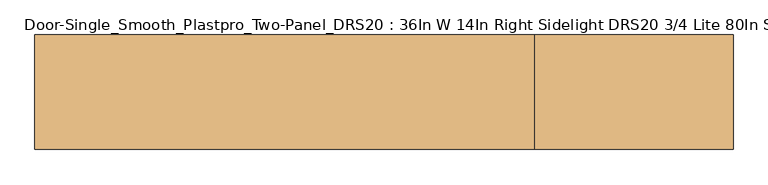
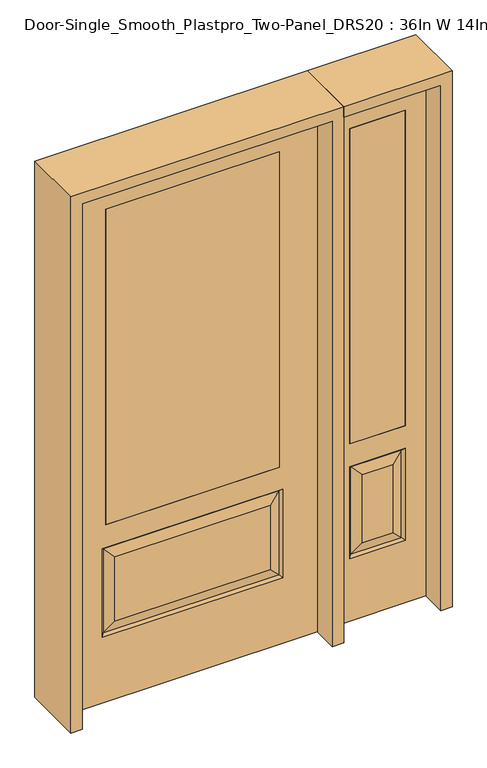
"""IFC4 building model written with IfcOpenShell, lengths in millimetres: door geometry, Door-Single_Smooth_Plastpro_Two-Panel_DRS20 : 36In W 14In Right Sidelight DRS20 3/4 Lite 80In Smooth."""

from ifc_helpers import new_model, si_unit, frame, origin, place, context, project, spatial, polyline, outline, extrude, faceted_brep, source, transform, mapped, element, save


def door_single_smooth_plastpro_two_panel_drs20_36in_w_14in_7fdac353(model_context):
    return source(origin(), model_context, "Body", "SolidModel", [
        extrude(outline(polyline([(574.675, -20.6375), (574.675, 20.6375), (777.875, 20.6375), (777.875, -20.6375), (574.675, -20.6375)])), frame((0.0, 0.0, 685.8), z_axis=(0.0, 0.0, 1.0), x_axis=(1.0, 0.0, 0.0)), (0.0, 0.0, 1.0), 1219.2),
        faceted_brep([(854.075, -20.6375, 0.0), (854.075, -20.6375, 2032.0), (498.475, -20.6375, 2032.0), (498.475, -20.6375, 0.0), (574.675, -20.6375, 685.8), (574.675, -20.6375, 1905.0), (777.875, -20.6375, 1905.0), (777.875, -20.6375, 685.8), (574.675, -20.6375, 241.3), (574.675, -20.6375, 596.9), (777.875, -20.6375, 596.9), (777.875, -20.6375, 241.3), (731.8375, -20.6375, 287.3375), (731.8375, -20.6375, 550.8625), (620.7125, -20.6375, 550.8625), (620.7125, -20.6375, 287.3375), (498.475, 20.6375, 0.0), (854.075, 20.6375, 0.0), (498.475, 20.6375, 2032.0), (854.075, 20.6375, 2032.0), (583.6552561, -11.6572439, 250.2802561), (768.8947439, -11.6572439, 250.2802561), (768.8947439, -11.6572439, 587.9197439), (583.6552561, -11.6572439, 587.9197439), (777.875, 20.6375, 685.8), (574.675, 20.6375, 685.8), (777.875, 20.6375, 1905.0), (574.675, 20.6375, 1905.0), (777.875, 20.6375, 241.3), (777.875, 20.6375, 596.9), (574.675, 20.6375, 596.9), (574.675, 20.6375, 241.3), (620.7125, 20.6375, 287.3375), (620.7125, 20.6375, 550.8625), (731.8375, 20.6375, 550.8625), (731.8375, 20.6375, 287.3375), (583.6552561, 11.6572439, 250.2802561), (768.8947439, 11.6572439, 250.2802561), (583.6552561, 11.6572439, 587.9197439), (768.8947439, 11.6572439, 587.9197439)], [[[0, 1, 2, 3], [4, 5, 6, 7], [8, 9, 10, 11]], [[12, 13, 14, 15]], [[3, 16, 17, 0]], [[2, 18, 16, 3]], [[0, 17, 19, 1]], [[20, 8, 11, 21]], [[11, 10, 22, 21]], [[10, 9, 23, 22]], [[20, 23, 9, 8]], [[21, 12, 15, 20]], [[15, 14, 23, 20]], [[22, 23, 14, 13]], [[21, 22, 13, 12]], [[4, 7, 24, 25]], [[7, 6, 26, 24]], [[25, 27, 5, 4]], [[17, 16, 18, 19], [24, 26, 27, 25], [28, 29, 30, 31]], [[32, 33, 34, 35]], [[28, 31, 36, 37]], [[31, 30, 38, 36]], [[39, 38, 30, 29]], [[37, 39, 29, 28]], [[36, 32, 35, 37]], [[35, 34, 39, 37]], [[34, 33, 38, 39]], [[36, 38, 33, 32]], [[1, 19, 18, 2]], [[27, 26, 6, 5]]]),
        extrude(outline(polyline([(317.5, -20.6375), (-317.5, -20.6375), (-317.5, 20.6375), (317.5, 20.6375), (317.5, -20.6375)])), frame((0.0, 0.0, 685.8), z_axis=(0.0, 0.0, 1.0), x_axis=(1.0, 0.0, 0.0)), (0.0, 0.0, 1.0), 1219.2),
        faceted_brep([(-317.5, 20.6375, 685.8), (-317.5, -20.6375, 685.8), (317.5, -20.6375, 685.8), (317.5, 20.6375, 685.8), (-321.2197439, 11.6572439, 587.9197439), (-284.1625, 20.6375, 550.8625), (-284.1625, 20.6375, 300.0375), (-321.2197439, 11.6572439, 262.9802561), (-321.2197439, -11.6572439, 262.9802561), (321.2197439, -11.6572439, 262.9802561), (284.1625, -20.6375, 300.0375), (-284.1625, -20.6375, 300.0375), (-321.2197439, -11.6572439, 587.9197439), (-284.1625, -20.6375, 550.8625), (284.1625, -20.6375, 550.8625), (321.2197439, -11.6572439, 587.9197439), (-330.2, -20.6375, 254.0), (330.2, -20.6375, 254.0), (317.5, -20.6375, 1905.0), (317.5, 20.6375, 1905.0), (284.1625, 20.6375, 300.0375), (321.2197439, 11.6572439, 262.9802561), (284.1625, 20.6375, 550.8625), (321.2197439, 11.6572439, 587.9197439), (457.2, 20.6375, 0.0), (457.2, -20.6375, 0.0), (-457.2, -20.6375, 0.0), (-457.2, 20.6375, 0.0), (457.2, 20.6375, 2032.0), (457.2, -20.6375, 2032.0), (-457.2, -20.6375, 2032.0), (-317.5, -20.6375, 1905.0), (-330.2, -20.6375, 596.9), (330.2, -20.6375, 596.9), (-457.2, 20.6375, 2032.0), (-317.5, 20.6375, 1905.0), (330.2, 20.6375, 596.9), (-330.2, 20.6375, 596.9), (-330.2, 20.6375, 254.0), (330.2, 20.6375, 254.0)], [[[0, 1, 2, 3]], [[4, 5, 6, 7]], [[8, 9, 10, 11]], [[12, 13, 14, 15]], [[9, 8, 16, 17]], [[18, 19, 3, 2]], [[7, 6, 20, 21]], [[22, 23, 21, 20]], [[24, 25, 26, 27]], [[28, 29, 25, 24]], [[11, 10, 14, 13]], [[29, 30, 26, 25], [31, 18, 2, 1], [17, 16, 32, 33]], [[30, 34, 27, 26]], [[5, 22, 20, 6]], [[34, 28, 24, 27], [19, 35, 0, 3], [36, 37, 38, 39]], [[23, 4, 37, 36]], [[37, 4, 7, 38]], [[38, 7, 21, 39]], [[23, 36, 39, 21]], [[4, 23, 22, 5]], [[35, 31, 1, 0]], [[16, 8, 12, 32]], [[32, 12, 15, 33]], [[9, 17, 33, 15]], [[10, 9, 15, 14]], [[8, 11, 13, 12]], [[28, 34, 30, 29]], [[31, 35, 19, 18]]]),
        extrude(outline(polyline([(2073.275, -498.475), (0.0, -498.475), (0.0, -457.2), (2032.0, -457.2), (2032.0, 457.2), (0.0, 457.2), (0.0, 498.475), (2073.275, 498.475), (2073.275, -498.475)])), frame((0.0, -114.3, 0.0), z_axis=(0.0, 1.0, 0.0), x_axis=(0.0, 0.0, 1.0)), (0.0, 0.0, 1.0), 228.6),
        extrude(outline(polyline([(0.0, 854.075), (0.0, 895.35), (2073.275, 895.35), (2073.275, 498.475), (2032.0, 498.475), (2032.0, 854.075), (0.0, 854.075)])), frame((0.0, -114.3, 0.0), z_axis=(0.0, 1.0, 0.0), x_axis=(0.0, 0.0, 1.0)), (0.0, 0.0, 1.0), 228.6),
    ])


if __name__ == "__main__":
    model = new_model("IFC4")
    model_context = context("Model", 3, world=origin())
    ifc_project = project(units=[si_unit("LENGTHUNIT", "METRE", prefix="MILLI")], contexts=[model_context])
    site = spatial("IfcSite", under=ifc_project)
    building = spatial("IfcBuilding", under=site)
    placement = place(None, origin())
    door_single_smooth_plastpro_two_panel_drs20_36in_w_14in_shape = door_single_smooth_plastpro_two_panel_drs20_36in_w_14in_7fdac353(model_context)
    element("IfcDoor", 1, ObjectType="Door-Single_Smooth_Plastpro_Two-Panel_DRS20 : 36In W 14In Right Sidelight DRS20 3/4 Lite 80In Smooth", at=placement, inside=building, context=model_context, shape_type="MappedRepresentation", body=[
        mapped(door_single_smooth_plastpro_two_panel_drs20_36in_w_14in_shape, transform((0.0, 0.0, 0.0), x_axis=(1.0, 0.0, 0.0), y_axis=(0.0, 1.0, 0.0), z_axis=(0.0, 0.0, 1.0))),
    ])
    save(model, "model.ifc")
